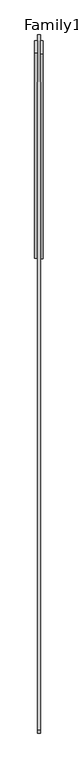
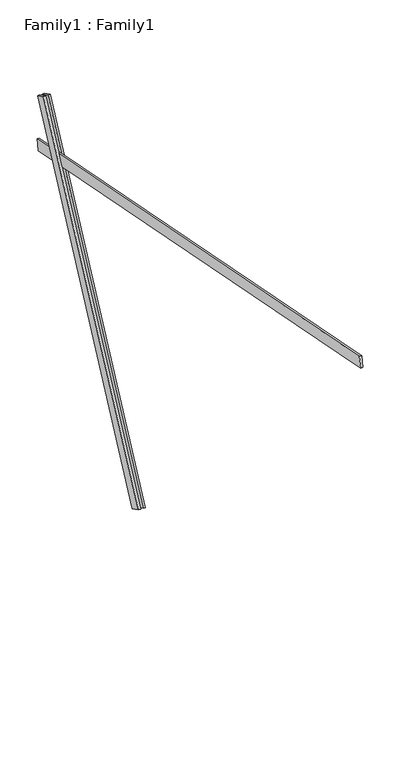
"""IFC4 building model written with IfcOpenShell, lengths in millimetres: proxy geometry, Family1 : Family1."""

from ifc_helpers import new_model, si_unit, frame, origin, place, context, project, spatial, polyline, outline, extrude, source, transform, mapped, element, save


def family1_family1_08f61a39(model_context):
    return source(origin(), model_context, "Body", "SweptSolid", [
        extrude(outline(polyline([(0.0, 0.0), (0.0, -20.0), (-100.0000001, -20.0), (-100.0000001, 0.0), (0.0, 0.0)])), frame((-30.0, 46.3241747, -22.5938096), z_axis=(0.0, 0.4383711467890692, 0.8987940462991711), x_axis=(0.0, 0.8987940462991711, -0.4383711467890692)), (0.0, 0.0, 1.0), 3300.0),
        extrude(outline(polyline([(0.0, 0.0), (0.0, -20.0), (-99.9999999, -20.0), (-99.9999999, 0.0), (0.0, 0.0)])), frame((10.0, 45.270232, -22.0797674), z_axis=(0.0, 0.4383711467890692, 0.8987940462991711), x_axis=(0.0, 0.8987940462991711, -0.4383711467890692)), (0.0, 0.0, 1.0), 3300.0),
        extrude(outline(polyline([(0.0, -20.0), (0.0, 0.0), (5000.0000001, 0.0), (5000.0000001, -20.0), (0.0, -20.0)])), frame((-10.0, -3394.0433789, 3364.0127094), z_axis=(0.0, 0.19080899537654727, 0.9816271834476635), x_axis=(0.0, 0.9816271834476635, -0.19080899537654727)), (0.0, 0.0, 1.0), 100.0),
    ])


if __name__ == "__main__":
    model = new_model("IFC4")
    model_context = context("Model", 3, world=origin())
    ifc_project = project(units=[si_unit("LENGTHUNIT", "METRE", prefix="MILLI")], contexts=[model_context])
    site = spatial("IfcSite", under=ifc_project)
    building = spatial("IfcBuilding", under=site)
    placement = place(None, origin())
    family1_family1_shape = family1_family1_08f61a39(model_context)
    element("IfcBuildingElementProxy", 1, Name="Family1 : Family1", ObjectType="Family1 : Family1", at=placement, inside=building, context=model_context, shape_type="MappedRepresentation", body=[
        mapped(family1_family1_shape, transform((0.0, 0.0, 0.0), x_axis=(1.0, 0.0, 0.0), y_axis=(0.0, 1.0, 0.0), z_axis=(0.0, 0.0, 1.0))),
    ])
    save(model, "model.ifc")
